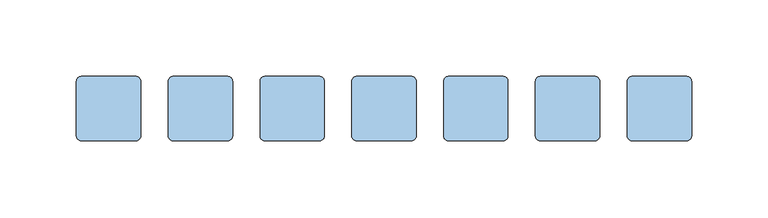
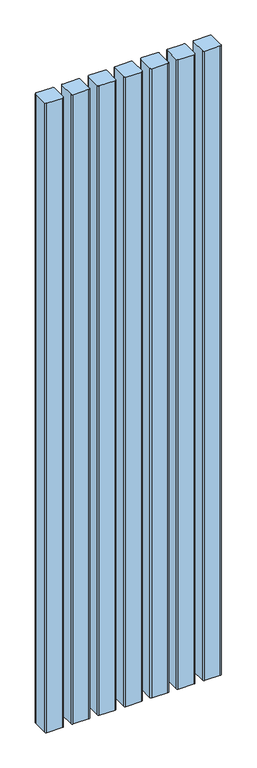
"""IFC4 building model written with IfcOpenShell, lengths in millimetres: window geometry."""

from ifc_helpers import new_model, si_unit, point, frame, frame_2d, origin, place, context, project, spatial, polyline, circle_curve, trimmed, segment, composite_curve, outline, extrude, source, transform, mapped, element, save


def window_c41c5347(model_context):
    return source(origin(), model_context, "Body", "SweptSolid", [
        extrude(outline(composite_curve([segment(polyline([(-99.004194, 47.0), (-99.004194, 11.0)]), True, "CONTINUOUS"), segment(trimmed(circle_curve(frame_2d((-102.004194, 11.0)), 3.0), [point((-99.004194, 11.0))], [point((-102.004194, 8.0))], False, "CARTESIAN"), True, "CONTINUOUS"), segment(polyline([(-102.004194, 8.0), (-138.004194, 8.0)]), True, "CONTINUOUS"), segment(trimmed(circle_curve(frame_2d((-138.004194, 11.0)), 3.0), [point((-138.004194, 8.0))], [point((-141.004194, 11.0))], False, "CARTESIAN"), True, "CONTINUOUS"), segment(polyline([(-141.004194, 11.0), (-141.004194, 47.0)]), True, "CONTINUOUS"), segment(trimmed(circle_curve(frame_2d((-138.004194, 47.0)), 3.0), [point((-141.004194, 47.0))], [point((-138.004194, 50.0))], False, "CARTESIAN"), True, "CONTINUOUS"), segment(polyline([(-138.004194, 50.0), (-102.004194, 50.0)]), True, "CONTINUOUS"), segment(trimmed(circle_curve(frame_2d((-102.004194, 47.0)), 3.0), [point((-102.004194, 50.0))], [point((-99.004194, 47.0))], False, "CARTESIAN"), True, "CONTINUOUS")], self_intersect=False)), frame((0.0, 0.0, 100.0), z_axis=(0.0, 0.0, 1.0), x_axis=(1.0, 0.0, 0.0)), (0.0, 0.0, 1.0), 1518.0),
        extrude(outline(composite_curve([segment(polyline([(-159.004194, 47.0), (-159.004194, 11.0)]), True, "CONTINUOUS"), segment(trimmed(circle_curve(frame_2d((-162.004194, 11.0)), 3.0), [point((-159.004194, 11.0))], [point((-162.004194, 8.0))], False, "CARTESIAN"), True, "CONTINUOUS"), segment(polyline([(-162.004194, 8.0), (-198.004194, 8.0)]), True, "CONTINUOUS"), segment(trimmed(circle_curve(frame_2d((-198.004194, 11.0)), 3.0), [point((-198.004194, 8.0))], [point((-201.004194, 11.0))], False, "CARTESIAN"), True, "CONTINUOUS"), segment(polyline([(-201.004194, 11.0), (-201.004194, 47.0)]), True, "CONTINUOUS"), segment(trimmed(circle_curve(frame_2d((-198.004194, 47.0)), 3.0), [point((-201.004194, 47.0))], [point((-198.004194, 50.0))], False, "CARTESIAN"), True, "CONTINUOUS"), segment(polyline([(-198.004194, 50.0), (-162.004194, 50.0)]), True, "CONTINUOUS"), segment(trimmed(circle_curve(frame_2d((-162.004194, 47.0)), 3.0), [point((-162.004194, 50.0))], [point((-159.004194, 47.0))], False, "CARTESIAN"), True, "CONTINUOUS")], self_intersect=False)), frame((0.0, 0.0, 100.0), z_axis=(0.0, 0.0, 1.0), x_axis=(1.0, 0.0, 0.0)), (0.0, 0.0, 1.0), 1518.0),
        extrude(outline(composite_curve([segment(polyline([(-219.004194, 47.0), (-219.004194, 11.0)]), True, "CONTINUOUS"), segment(trimmed(circle_curve(frame_2d((-222.004194, 11.0)), 3.0), [point((-219.004194, 11.0))], [point((-222.004194, 8.0))], False, "CARTESIAN"), True, "CONTINUOUS"), segment(polyline([(-222.004194, 8.0), (-258.004194, 8.0)]), True, "CONTINUOUS"), segment(trimmed(circle_curve(frame_2d((-258.004194, 11.0)), 3.0), [point((-258.004194, 8.0))], [point((-261.004194, 11.0))], False, "CARTESIAN"), True, "CONTINUOUS"), segment(polyline([(-261.004194, 11.0), (-261.004194, 47.0)]), True, "CONTINUOUS"), segment(trimmed(circle_curve(frame_2d((-258.004194, 47.0)), 3.0), [point((-261.004194, 47.0))], [point((-258.004194, 50.0))], False, "CARTESIAN"), True, "CONTINUOUS"), segment(polyline([(-258.004194, 50.0), (-222.004194, 50.0)]), True, "CONTINUOUS"), segment(trimmed(circle_curve(frame_2d((-222.004194, 47.0)), 3.0), [point((-222.004194, 50.0))], [point((-219.004194, 47.0))], False, "CARTESIAN"), True, "CONTINUOUS")], self_intersect=False)), frame((0.0, 0.0, 100.0), z_axis=(0.0, 0.0, 1.0), x_axis=(1.0, 0.0, 0.0)), (0.0, 0.0, 1.0), 1518.0),
        extrude(outline(composite_curve([segment(polyline([(-279.004194, 47.0), (-279.004194, 11.0)]), True, "CONTINUOUS"), segment(trimmed(circle_curve(frame_2d((-282.004194, 11.0)), 3.0), [point((-279.004194, 11.0))], [point((-282.004194, 8.0))], False, "CARTESIAN"), True, "CONTINUOUS"), segment(polyline([(-282.004194, 8.0), (-318.004194, 8.0)]), True, "CONTINUOUS"), segment(trimmed(circle_curve(frame_2d((-318.004194, 11.0)), 3.0), [point((-318.004194, 8.0))], [point((-321.004194, 11.0))], False, "CARTESIAN"), True, "CONTINUOUS"), segment(polyline([(-321.004194, 11.0), (-321.004194, 47.0)]), True, "CONTINUOUS"), segment(trimmed(circle_curve(frame_2d((-318.004194, 47.0)), 3.0), [point((-321.004194, 47.0))], [point((-318.004194, 50.0))], False, "CARTESIAN"), True, "CONTINUOUS"), segment(polyline([(-318.004194, 50.0), (-282.004194, 50.0)]), True, "CONTINUOUS"), segment(trimmed(circle_curve(frame_2d((-282.004194, 47.0)), 3.0), [point((-282.004194, 50.0))], [point((-279.004194, 47.0))], False, "CARTESIAN"), True, "CONTINUOUS")], self_intersect=False)), frame((0.0, 0.0, 100.0), z_axis=(0.0, 0.0, 1.0), x_axis=(1.0, 0.0, 0.0)), (0.0, 0.0, 1.0), 1518.0),
        extrude(outline(composite_curve([segment(polyline([(-339.004194, 47.0), (-339.004194, 11.0)]), True, "CONTINUOUS"), segment(trimmed(circle_curve(frame_2d((-342.004194, 11.0)), 3.0), [point((-339.004194, 11.0))], [point((-342.004194, 8.0))], False, "CARTESIAN"), True, "CONTINUOUS"), segment(polyline([(-342.004194, 8.0), (-378.004194, 8.0)]), True, "CONTINUOUS"), segment(trimmed(circle_curve(frame_2d((-378.004194, 11.0)), 3.0), [point((-378.004194, 8.0))], [point((-381.004194, 11.0))], False, "CARTESIAN"), True, "CONTINUOUS"), segment(polyline([(-381.004194, 11.0), (-381.004194, 47.0)]), True, "CONTINUOUS"), segment(trimmed(circle_curve(frame_2d((-378.004194, 47.0)), 3.0), [point((-381.004194, 47.0))], [point((-378.004194, 50.0))], False, "CARTESIAN"), True, "CONTINUOUS"), segment(polyline([(-378.004194, 50.0), (-342.004194, 50.0)]), True, "CONTINUOUS"), segment(trimmed(circle_curve(frame_2d((-342.004194, 47.0)), 3.0), [point((-342.004194, 50.0))], [point((-339.004194, 47.0))], False, "CARTESIAN"), True, "CONTINUOUS")], self_intersect=False)), frame((0.0, 0.0, 100.0), z_axis=(0.0, 0.0, 1.0), x_axis=(1.0, 0.0, 0.0)), (0.0, 0.0, 1.0), 1518.0),
        extrude(outline(composite_curve([segment(polyline([(-399.004194, 47.0), (-399.004194, 11.0)]), True, "CONTINUOUS"), segment(trimmed(circle_curve(frame_2d((-402.004194, 11.0)), 3.0), [point((-399.004194, 11.0))], [point((-402.004194, 8.0))], False, "CARTESIAN"), True, "CONTINUOUS"), segment(polyline([(-402.004194, 8.0), (-438.004194, 8.0)]), True, "CONTINUOUS"), segment(trimmed(circle_curve(frame_2d((-438.004194, 11.0)), 3.0), [point((-438.004194, 8.0))], [point((-441.004194, 11.0))], False, "CARTESIAN"), True, "CONTINUOUS"), segment(polyline([(-441.004194, 11.0), (-441.004194, 47.0)]), True, "CONTINUOUS"), segment(trimmed(circle_curve(frame_2d((-438.004194, 47.0)), 3.0), [point((-441.004194, 47.0))], [point((-438.004194, 50.0))], False, "CARTESIAN"), True, "CONTINUOUS"), segment(polyline([(-438.004194, 50.0), (-402.004194, 50.0)]), True, "CONTINUOUS"), segment(trimmed(circle_curve(frame_2d((-402.004194, 47.0)), 3.0), [point((-402.004194, 50.0))], [point((-399.004194, 47.0))], False, "CARTESIAN"), True, "CONTINUOUS")], self_intersect=False)), frame((0.0, 0.0, 100.0), z_axis=(0.0, 0.0, 1.0), x_axis=(1.0, 0.0, 0.0)), (0.0, 0.0, 1.0), 1518.0),
        extrude(outline(composite_curve([segment(polyline([(-459.0, 47.0), (-459.0, 11.0)]), True, "CONTINUOUS"), segment(trimmed(circle_curve(frame_2d((-462.0, 11.0)), 3.0), [point((-459.0, 11.0))], [point((-462.0, 8.0))], False, "CARTESIAN"), True, "CONTINUOUS"), segment(polyline([(-462.0, 8.0), (-498.0, 8.0)]), True, "CONTINUOUS"), segment(trimmed(circle_curve(frame_2d((-498.0, 11.0)), 3.0), [point((-498.0, 8.0))], [point((-501.0, 11.0))], False, "CARTESIAN"), True, "CONTINUOUS"), segment(polyline([(-501.0, 11.0), (-501.0, 47.0)]), True, "CONTINUOUS"), segment(trimmed(circle_curve(frame_2d((-498.0, 47.0)), 3.0), [point((-501.0, 47.0))], [point((-498.0, 50.0))], False, "CARTESIAN"), True, "CONTINUOUS"), segment(polyline([(-498.0, 50.0), (-462.0, 50.0)]), True, "CONTINUOUS"), segment(trimmed(circle_curve(frame_2d((-462.0, 47.0)), 3.0), [point((-462.0, 50.0))], [point((-459.0, 47.0))], False, "CARTESIAN"), True, "CONTINUOUS")], self_intersect=False)), frame((0.0, 0.0, 100.0), z_axis=(0.0, 0.0, 1.0), x_axis=(1.0, 0.0, 0.0)), (0.0, 0.0, 1.0), 1518.0),
    ])


if __name__ == "__main__":
    model = new_model("IFC4")
    model_context = context("Model", 3, world=origin())
    ifc_project = project(units=[si_unit("LENGTHUNIT", "METRE", prefix="MILLI")], contexts=[model_context])
    site = spatial("IfcSite", under=ifc_project)
    building = spatial("IfcBuilding", under=site)
    placement = place(None, origin())
    window_shape = window_c41c5347(model_context)
    element("IfcWindow", 1, at=placement, inside=building, context=model_context, shape_type="MappedRepresentation", body=[
        mapped(window_shape, transform((0.0, 0.0, 0.0), x_axis=(1.0, 0.0, 0.0), y_axis=(0.0, 1.0, 0.0), z_axis=(0.0, 0.0, 1.0))),
    ])
    save(model, "model.ifc")
